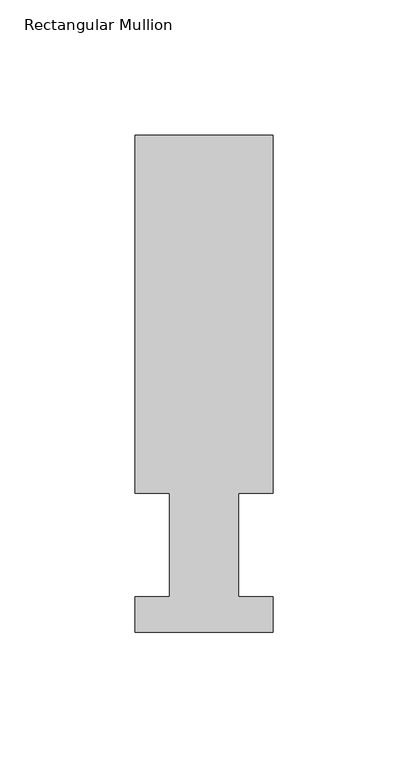
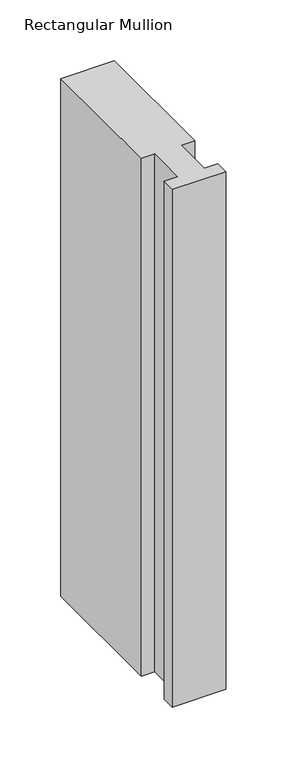
"""IFC4 building model written with IfcOpenShell, lengths in millimetres: member geometry, Rectangular Mullion."""

from ifc_helpers import new_model, si_unit, frame, origin, place, context, project, spatial, polyline, outline, extrude, source, transform, mapped, element, save


def rectangular_mullion_e674ee9e(model_context):
    return source(origin(), model_context, "Body", "SweptSolid", [
        extrude(outline(polyline([(-50.8, 51.2960937), (-50.8, 183.4446738), (0.0, 183.4446738), (0.0, 51.2960938), (-12.7, 51.2960937), (-12.7, 13.1960938), (0.0, 13.1960938), (0.0, 0.0134937), (-50.8, 0.0134937), (-50.8, 13.1960938), (-38.1, 13.1960938), (-38.1, 51.2960938), (-50.8, 51.2960937)])), frame((0.0, 0.0, -519.9093556), z_axis=(0.0, 0.0, 1.0), x_axis=(1.0, 0.0, 0.0)), (0.0, 0.0, 1.0), 519.9093556),
    ])


if __name__ == "__main__":
    model = new_model("IFC4")
    model_context = context("Model", 3, world=origin())
    ifc_project = project(units=[si_unit("LENGTHUNIT", "METRE", prefix="MILLI")], contexts=[model_context])
    site = spatial("IfcSite", under=ifc_project)
    building = spatial("IfcBuilding", under=site)
    placement = place(None, origin())
    rectangular_mullion_shape = rectangular_mullion_e674ee9e(model_context)
    element("IfcMember", 1, ObjectType="Rectangular Mullion", at=placement, inside=building, context=model_context, shape_type="MappedRepresentation", body=[
        mapped(rectangular_mullion_shape, transform((0.0, 0.0, 0.0), x_axis=(1.0, 0.0, 0.0), y_axis=(0.0, 1.0, 0.0), z_axis=(0.0, 0.0, 1.0))),
    ])
    save(model, "model.ifc")
